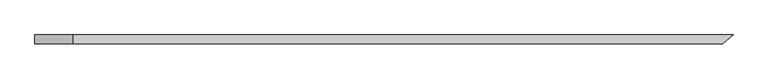
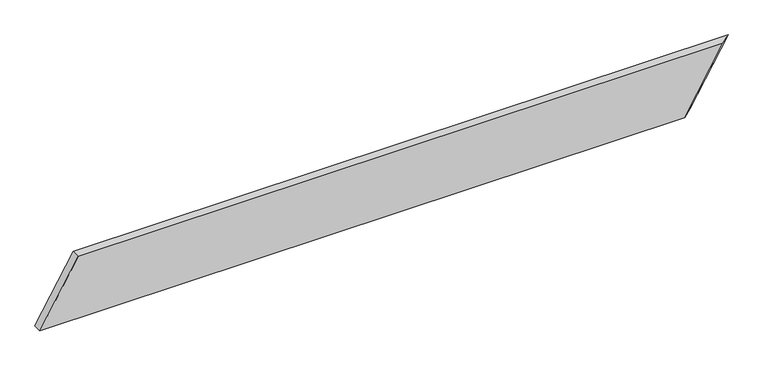
"""IFC4 building model written with IfcOpenShell, lengths in millimetres: beam geometry."""

from ifc_helpers import new_model, si_unit, origin, place, context, project, spatial, faceted_brep, source, transform, mapped, element, save


def beam_68d059b5(model_context):
    return source(origin(), model_context, "Body", "Brep", [
        faceted_brep([(1480.6220194, -19.05, 142.875), (-1335.9887742, -19.05, 142.875), (-1502.6762742, -19.05, -142.875), (1313.9345194, -19.05, -142.875), (1524.730529, 19.05, 142.875), (1358.043029, 19.05, -142.875), (-1502.6762742, 19.05, -142.875), (-1335.9887742, 19.05, 142.875)], [[[0, 1, 2, 3]], [[4, 5, 6, 7]], [[5, 4, 0, 3]], [[6, 5, 3, 2]], [[7, 6, 2, 1]], [[4, 7, 1, 0]]]),
    ])


if __name__ == "__main__":
    model = new_model("IFC4")
    model_context = context("Model", 3, world=origin())
    ifc_project = project(units=[si_unit("LENGTHUNIT", "METRE", prefix="MILLI")], contexts=[model_context])
    site = spatial("IfcSite", under=ifc_project)
    building = spatial("IfcBuilding", under=site)
    placement = place(None, origin())
    beam_shape = beam_68d059b5(model_context)
    element("IfcBeam", 1, at=placement, inside=building, context=model_context, shape_type="MappedRepresentation", body=[
        mapped(beam_shape, transform((0.0, 0.0, 0.0), x_axis=(1.0, 0.0, 0.0), y_axis=(0.0, 1.0, 0.0), z_axis=(0.0, 0.0, 1.0))),
    ])
    save(model, "model.ifc")
